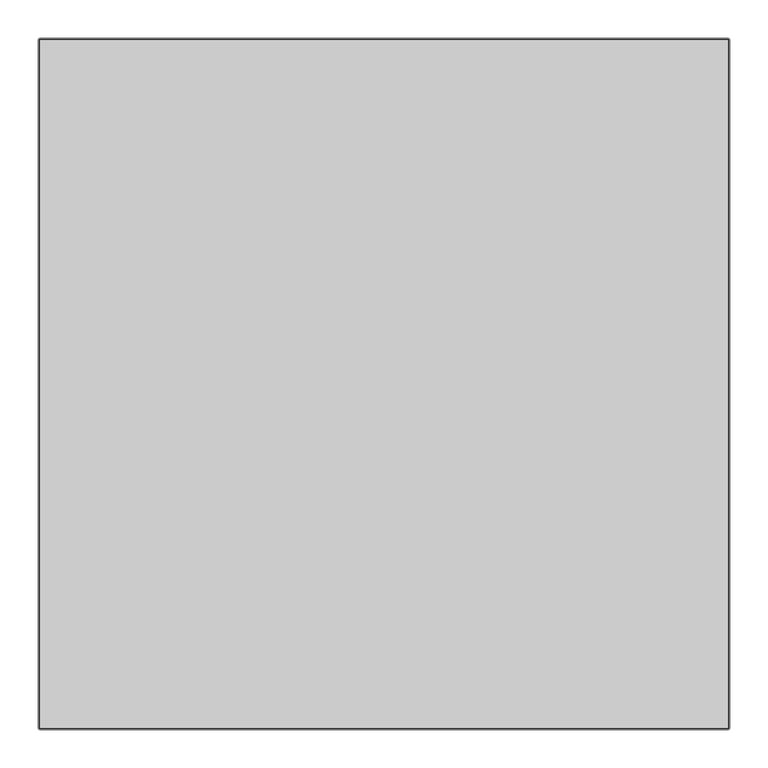
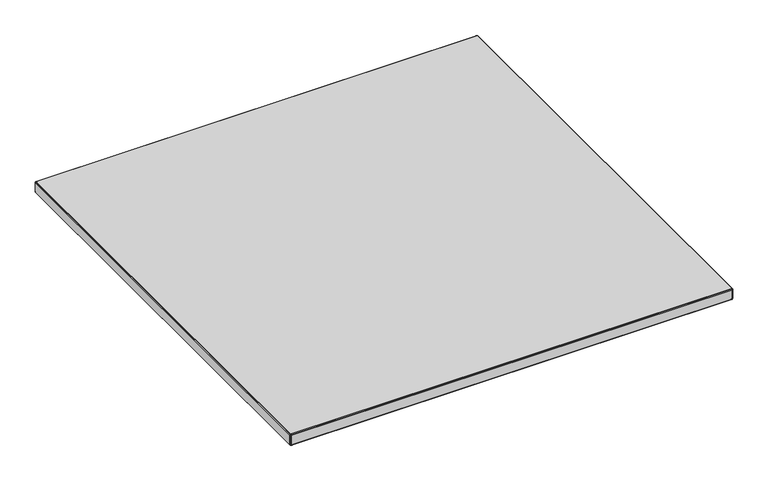
"""IFC4 building model written with IfcOpenShell, lengths in millimetres: furniture geometry."""

from ifc_helpers import new_model, si_unit, origin, place, context, project, spatial, triangles, source, transform, mapped, element, save


def furniture_b62c1c2a(model_context):
    return source(origin(), model_context, "Body", "Tessellation", [
        triangles([(-73.5650046, 900.2409805, 735.2030165), (-73.5650046, 2.5410161, 735.2030165), (824.1350155, 2.5410161, 735.2030165), (824.1350155, 900.2409805, 735.2030165), (824.1350155, 900.2409805, 711.1999758), (824.1350155, 2.5410161, 711.1999758), (-73.5650046, 2.5410161, 711.1999758), (-73.5650046, 900.2409805, 711.1999758)], [[1, 2, 3], [1, 3, 4], [5, 6, 7], [5, 7, 8]], closed=False),
        triangles([(824.1350155, 0.541016, 733.2029932), (825.5491734, 1.1268024, 733.2029932), (825.1350271, 1.541016, 734.6172237), (824.1350155, 1.1268024, 734.6172237), (824.1350155, 2.5410161, 735.2030165), (825.5491734, 2.5410161, 734.6172237), (826.1349661, 2.5410161, 733.2029932), (824.1350155, 0.541016, 713.199999), (825.5491734, 1.1268024, 713.199999), (826.1349661, 2.5410161, 713.199999), (-73.5650046, 0.541016, 733.2029932), (-74.979217, 1.1268024, 733.2029932), (-74.5650026, 1.541016, 734.6172237), (-73.5650046, 1.1268024, 734.6172237), (-73.5650046, 2.5410161, 735.2030165), (-74.979217, 2.5410161, 734.6172237), (-75.5650051, 2.5410161, 733.2029932), (-73.5650046, 0.541016, 713.199999), (-74.979217, 1.1268024, 713.199999), (-75.5650051, 2.5410161, 713.199999), (824.1350155, 902.2410038, 733.2029932), (825.5491734, 901.6552111, 733.2029932), (825.1350271, 901.2409922, 734.6172237), (824.1350155, 901.6552111, 734.6172237), (824.1350155, 900.2409805, 735.2030165), (825.5491734, 900.2409805, 734.6172237), (826.1349661, 900.2409805, 733.2029932), (824.1350155, 902.2410038, 713.199999), (825.5491734, 901.6552111, 713.199999), (826.1349661, 900.2409805, 713.199999), (-73.5650046, 902.2410038, 733.2029932), (-74.979217, 901.6552111, 733.2029932), (-74.5650026, 901.2409922, 734.6172237), (-73.5650046, 901.6552111, 734.6172237), (-73.5650046, 900.2409805, 735.2030165), (-74.979217, 900.2409805, 734.6172237), (-75.5650051, 900.2409805, 733.2029932), (-73.5650046, 902.2410038, 713.199999), (-74.979217, 901.6552111, 713.199999), (-75.5650051, 900.2409805, 713.199999), (825.1350271, 1.541016, 711.7857685), (824.1350155, 1.1268024, 711.7857685), (824.1350155, 2.5410161, 711.1999758), (825.5491734, 2.5410161, 711.7857685), (-74.5650026, 1.541016, 711.7857685), (-73.5650046, 1.1268024, 711.7857685), (-73.5650046, 2.5410161, 711.1999758), (-74.979217, 2.5410161, 711.7857685), (824.1350155, 901.6552111, 711.7857685), (825.1350271, 901.2409922, 711.7857685), (824.1350155, 900.2409805, 711.1999758), (825.5491734, 900.2409805, 711.7857685), (-74.5650026, 901.2409922, 711.7857685), (-73.5650046, 901.6552111, 711.7857685), (-73.5650046, 900.2409805, 711.1999758), (-74.979217, 900.2409805, 711.7857685)], [[1, 2, 3], [1, 3, 4], [4, 3, 5], [5, 6, 3], [3, 6, 2], [6, 7, 2], [1, 8, 9], [1, 9, 2], [2, 9, 10], [2, 10, 7], [11, 12, 13], [11, 13, 14], [14, 13, 15], [15, 16, 13], [13, 16, 12], [16, 17, 12], [11, 18, 19], [11, 19, 12], [12, 19, 17], [19, 20, 17], [21, 22, 23], [21, 23, 24], [24, 23, 25], [25, 26, 23], [23, 26, 27], [23, 27, 22], [21, 28, 29], [21, 29, 22], [22, 29, 30], [22, 30, 27], [31, 32, 33], [31, 33, 34], [34, 33, 35], [35, 36, 33], [33, 36, 37], [33, 37, 32], [31, 38, 39], [31, 39, 32], [32, 39, 40], [32, 40, 37], [5, 25, 26], [5, 26, 6], [6, 26, 27], [6, 27, 7], [15, 5, 4], [15, 4, 14], [14, 4, 1], [14, 1, 11], [35, 15, 16], [35, 16, 36], [36, 16, 17], [36, 17, 37], [25, 35, 34], [25, 34, 24], [24, 34, 31], [24, 31, 21], [7, 10, 30], [7, 30, 27], [21, 28, 38], [21, 38, 31], [11, 18, 8], [11, 8, 1], [37, 40, 20], [37, 20, 17], [8, 9, 41], [8, 41, 42], [42, 41, 43], [43, 44, 41], [41, 44, 10], [41, 10, 9], [18, 19, 45], [18, 45, 46], [46, 45, 47], [47, 48, 45], [45, 48, 20], [45, 20, 19], [28, 29, 49], [29, 50, 49], [49, 50, 51], [51, 52, 50], [50, 52, 30], [50, 30, 29], [38, 39, 53], [38, 53, 54], [54, 53, 55], [55, 56, 53], [53, 56, 39], [56, 40, 39], [43, 51, 52], [43, 52, 44], [44, 52, 30], [44, 30, 10], [47, 43, 42], [47, 42, 46], [46, 42, 8], [46, 8, 18], [55, 47, 48], [55, 48, 56], [56, 48, 20], [56, 20, 40], [51, 55, 54], [51, 54, 49], [49, 54, 38], [49, 38, 28]], closed=False),
    ])


if __name__ == "__main__":
    model = new_model("IFC4")
    model_context = context("Model", 3, world=origin())
    ifc_project = project(units=[si_unit("LENGTHUNIT", "METRE", prefix="MILLI")], contexts=[model_context])
    site = spatial("IfcSite", under=ifc_project)
    building = spatial("IfcBuilding", under=site)
    placement = place(None, origin())
    furniture_shape = furniture_b62c1c2a(model_context)
    element("IfcFurniture", 1, at=placement, inside=building, context=model_context, shape_type="MappedRepresentation", body=[
        mapped(furniture_shape, transform((0.0, 0.0, 0.0), x_axis=(1.0, 0.0, 0.0), y_axis=(0.0, 1.0, 0.0), z_axis=(0.0, 0.0, 1.0))),
    ])
    save(model, "model.ifc")
